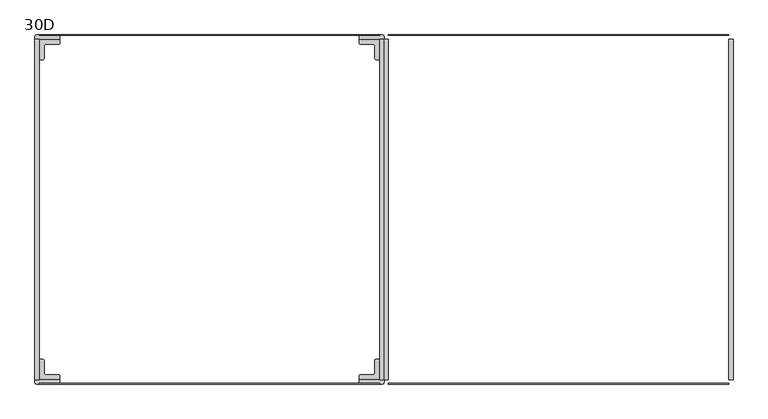
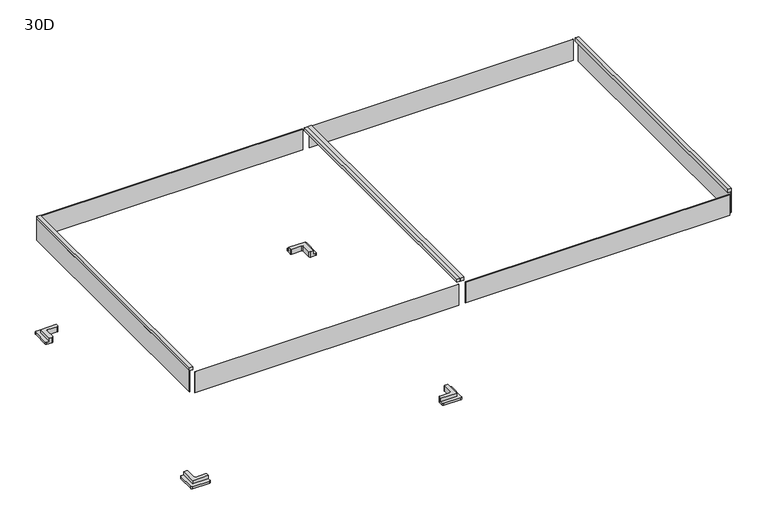
"""IFC4 building model written with IfcOpenShell, lengths in millimetres: furniture geometry, 30D."""

from ifc_helpers import new_model, si_unit, frame, origin, place, context, project, spatial, polyline, circle_curve, outline, extrude, source, transform, mapped, element, save
from ifc_brep_helpers import plane_surface, cylinder_surface, revolved_surface, advanced_brep


def furniture_30d_87d6ec3d(model_context):
    return source(origin(), model_context, "Body", "SolidModel", [
        advanced_brep(
        [(17.0083882, 53.9744671, 15.289646), (9.652, 53.9744671, 15.289646), (9.652, 10.532642, 15.289646), (53.9751938, 10.532642, 15.289646), (53.9751938, 17.8257996, 15.289646), (51.4351938, 20.3657996, 15.289646), (23.6342208, 20.3657996, 15.289646), (20.3103882, 23.6896322, 15.289646), (20.3103882, 50.6724671, 15.289646), (53.9751938, 17.8257996, 0.0), (53.9751938, 2.6561542, 0.0), (51.3190396, 0.0, 0.0), (3.5791729, 0.0, 0.0), (0.0, 3.5791729, 0.0), (0.0, 51.4344671, 0.0), (2.54, 53.9744671, 0.0), (17.0083882, 53.9744671, 0.0), (20.3103882, 50.6724671, 0.0), (20.3103882, 23.6896322, 0.0), (23.6342208, 20.3657996, 0.0), (51.4351938, 20.3657996, 0.0), (53.9751938, 10.532642, 5.7646191), (53.9751938, 2.6561542, 5.7646191), (51.3190396, 0.0, 5.7646191), (3.5791729, 0.0, 5.7646191), (0.0, 3.5791729, 5.7646191), (0.0, 51.4344671, 5.7646191), (2.54, 53.9744671, 5.7646191), (9.652, 53.9744671, 5.7646191), (9.652, 10.532642, 5.7646191)],
        [
            (0, 1),
            (1, 2),
            (2, 3),
            (3, 4),
            (4, 5, circle_curve(frame((51.4351938, 17.8257996, 15.289646), z_axis=(0.0, 0.0, 1.0), x_axis=(1.0, 0.0, 0.0)), 2.54)),
            (5, 6),
            (6, 7, circle_curve(frame((23.6342208, 23.6896322, 15.289646), z_axis=(0.0, 0.0, -1.0), x_axis=(1.0, 0.0, 0.0)), 3.3238326)),
            (7, 8),
            (8, 0, circle_curve(frame((17.0083882, 50.6724671, 15.289646), z_axis=(0.0, 0.0, 1.0), x_axis=(1.0, 0.0, 0.0)), 3.302)),
            (9, 10),
            (10, 11, circle_curve(frame((51.3190396, 2.6561542, 0.0), z_axis=(0.0, 0.0, -1.0), x_axis=(1.0, 0.0, 0.0)), 2.6561542)),
            (11, 12),
            (12, 13, circle_curve(frame((3.5791729, 3.5791729, 0.0), z_axis=(0.0, 0.0, -1.0), x_axis=(1.0, 0.0, 0.0)), 3.5791729)),
            (13, 14),
            (14, 15, circle_curve(frame((2.54, 51.4344671, 0.0), z_axis=(0.0, 0.0, -1.0), x_axis=(1.0, 0.0, 0.0)), 2.54)),
            (15, 16),
            (16, 17, circle_curve(frame((17.0083882, 50.6724671, 0.0), z_axis=(0.0, 0.0, -1.0), x_axis=(1.0, 0.0, 0.0)), 3.302)),
            (17, 18),
            (18, 19, circle_curve(frame((23.6342208, 23.6896322, 0.0), z_axis=(0.0, 0.0, 1.0), x_axis=(1.0, 0.0, 0.0)), 3.3238326)),
            (19, 20),
            (20, 9, circle_curve(frame((51.4351938, 17.8257996, 0.0), z_axis=(0.0, 0.0, -1.0), x_axis=(1.0, 0.0, 0.0)), 2.54)),
            (9, 4),
            (3, 21),
            (21, 22),
            (22, 10),
            (22, 23, circle_curve(frame((51.3190396, 2.6561542, 5.7646191), z_axis=(0.0, 0.0, -1.0), x_axis=(1.0, 0.0, 0.0)), 2.6561542)),
            (23, 11),
            (23, 24),
            (24, 12),
            (24, 25, circle_curve(frame((3.5791729, 3.5791729, 5.7646191), z_axis=(0.0, 0.0, -1.0), x_axis=(1.0, 0.0, 0.0)), 3.5791729)),
            (25, 13),
            (25, 26),
            (26, 14),
            (26, 27, circle_curve(frame((2.54, 51.4344671, 5.7646191), z_axis=(0.0, 0.0, -1.0), x_axis=(1.0, 0.0, 0.0)), 2.54)),
            (27, 15),
            (27, 28),
            (28, 1),
            (0, 16),
            (8, 17),
            (7, 18),
            (6, 19),
            (5, 20),
            (21, 29),
            (29, 28),
            (29, 2),
        ],
        [
            plane_surface(frame((53.9751938, 2.7431465, 15.289646), z_axis=(0.0, 0.0, 1.0), x_axis=(0.0, -1.0, 0.0))),
            plane_surface(frame((53.9751938, 2.7431465, 0.0), z_axis=(0.0, 0.0, -1.0), x_axis=(0.0, 1.0, 0.0))),
            plane_surface(frame((53.9751938, 17.8257996, 15.289646), z_axis=(1.0, 0.0, 0.0), x_axis=(0.0, 0.0, -1.0))),
            cylinder_surface(frame((51.3190396, 2.6561542, 0.0), z_axis=(0.0, 0.0, 1.0), x_axis=(1.0, 0.0, 0.0)), 2.6561542),
            plane_surface(frame((51.3190396, 0.0, 15.289646), z_axis=(0.0, -1.0, 0.0), x_axis=(0.0, 0.0, -1.0))),
            cylinder_surface(frame((3.5791729, 3.5791729, 0.0), z_axis=(0.0, 0.0, 1.0), x_axis=(1.0, 0.0, 0.0)), 3.5791729),
            plane_surface(frame((0.0, 3.5791729, 15.289646), z_axis=(-1.0, 0.0, 0.0), x_axis=(0.0, 0.0, -1.0))),
            cylinder_surface(frame((2.54, 51.4344671, 0.0), z_axis=(0.0, 0.0, 1.0), x_axis=(1.0, 0.0, 0.0)), 2.54),
            plane_surface(frame((2.54, 53.9744671, 15.289646), z_axis=(0.0, 1.0, 0.0), x_axis=(0.0, 0.0, -1.0))),
            cylinder_surface(frame((17.0083882, 50.6724671, 0.0), z_axis=(0.0, 0.0, 1.0), x_axis=(1.0, 0.0, 0.0)), 3.302),
            plane_surface(frame((20.3103882, 50.6724671, 15.289646), z_axis=(1.0, 0.0, 0.0), x_axis=(0.0, 0.0, -1.0))),
            revolved_surface(polyline([(26.9580534, 23.6896322, 0.0), (26.9580534, 23.6896322, 15.289646)]), (23.6342208, 23.6896322, 0.0), (0.0, 0.0, -1.0)),
            plane_surface(frame((23.6342208, 20.3657996, 15.289646), z_axis=(0.0, 1.0, 0.0), x_axis=(0.0, 0.0, -1.0))),
            cylinder_surface(frame((51.4351938, 17.8257996, 0.0), z_axis=(0.0, 0.0, 1.0), x_axis=(1.0, 0.0, 0.0)), 2.54),
            plane_surface(frame((2.54, 708.0259689, 5.7646191), z_axis=(0.0, 0.0, 1.0), x_axis=(1.0, 0.0, 0.0))),
            plane_surface(frame((9.652, 53.9744671, 126.7257456), z_axis=(-1.0, 0.0, 0.0), x_axis=(0.0, 0.0, -1.0))),
            plane_surface(frame((9.652, 10.532642, 126.7257456), z_axis=(0.0, -1.0, 0.0), x_axis=(0.0, 0.0, -1.0))),
        ],
        [
            (0, [[1, 2, 3, 4, 5, 6, 7, 8, 9]]),
            (1, [[10, 11, 12, 13, 14, 15, 16, 17, 18, 19, 20, 21]]),
            (2, [[22, -4, 23, 24, 25, -10]]),
            (3, [[-25, 26, 27, -11]]),
            (4, [[-27, 28, 29, -12]]),
            (5, [[-29, 30, 31, -13]]),
            (6, [[-31, 32, 33, -14]]),
            (7, [[-33, 34, 35, -15]]),
            (8, [[-35, 36, 37, -1, 38, -16]]),
            (9, [[39, -17, -38, -9]]),
            (10, [[40, -18, -39, -8]]),
            (11, [[41, -19, -40, -7]]),
            (12, [[42, -20, -41, -6]]),
            (13, [[-22, -21, -42, -5]]),
            (14, [[-36, -34, -32, -30, -28, -26, -24, 43, 44]]),
            (15, [[45, -2, -37, -44]]),
            (16, [[-23, -3, -45, -43]]),
        ],
    ),
        advanced_brep(
        [(708.0248062, 17.8257996, 15.289646), (708.0248062, 10.532642, 15.289646), (752.348, 10.532642, 15.289646), (752.348, 53.9744671, 15.289646), (744.9916118, 53.9744671, 15.289646), (741.6896118, 50.6724671, 15.289646), (741.6896118, 23.6896322, 15.289646), (738.3657792, 20.3657996, 15.289646), (710.5648062, 20.3657996, 15.289646), (708.0248062, 17.8257996, 0.0), (710.5648062, 20.3657996, 0.0), (738.3657792, 20.3657996, 0.0), (741.6896118, 23.6896322, 0.0), (741.6896118, 50.6724671, 0.0), (744.9916118, 53.9744671, 0.0), (759.46, 53.9744671, 0.0), (762.0, 51.4344671, 0.0), (762.0, 3.5791729, 0.0), (758.4208271, 0.0, 0.0), (710.6809604, 0.0, 0.0), (708.0248062, 2.6561542, 0.0), (752.348, 53.9744671, 5.7646191), (759.46, 53.9744671, 5.7646191), (762.0, 51.4344671, 5.7646191), (762.0, 3.5791729, 5.7646191), (758.4208271, 0.0, 5.7646191), (710.6809604, 0.0, 5.7646191), (708.0248062, 2.6561542, 5.7646191), (708.0248062, 10.532642, 5.7646191), (752.348, 10.532642, 5.7646191)],
        [
            (0, 1),
            (1, 2),
            (2, 3),
            (3, 4),
            (4, 5, circle_curve(frame((744.9916118, 50.6724671, 15.289646), z_axis=(0.0, 0.0, 1.0), x_axis=(1.0, 0.0, 0.0)), 3.302)),
            (5, 6),
            (6, 7, circle_curve(frame((738.3657792, 23.6896322, 15.289646), z_axis=(0.0, 0.0, -1.0), x_axis=(1.0, 0.0, 0.0)), 3.3238326)),
            (7, 8),
            (8, 0, circle_curve(frame((710.5648062, 17.8257996, 15.289646), z_axis=(0.0, 0.0, 1.0), x_axis=(1.0, 0.0, 0.0)), 2.54)),
            (9, 10, circle_curve(frame((710.5648062, 17.8257996, 0.0), z_axis=(0.0, 0.0, -1.0), x_axis=(1.0, 0.0, 0.0)), 2.54)),
            (10, 11),
            (11, 12, circle_curve(frame((738.3657792, 23.6896322, 0.0), z_axis=(0.0, 0.0, 1.0), x_axis=(1.0, 0.0, 0.0)), 3.3238326)),
            (12, 13),
            (13, 14, circle_curve(frame((744.9916118, 50.6724671, 0.0), z_axis=(0.0, 0.0, -1.0), x_axis=(1.0, 0.0, 0.0)), 3.302)),
            (14, 15),
            (15, 16, circle_curve(frame((759.46, 51.4344671, 0.0), z_axis=(0.0, 0.0, -1.0), x_axis=(1.0, 0.0, 0.0)), 2.54)),
            (16, 17),
            (17, 18, circle_curve(frame((758.4208271, 3.5791729, 0.0), z_axis=(0.0, 0.0, -1.0), x_axis=(1.0, 0.0, 0.0)), 3.5791729)),
            (18, 19),
            (19, 20, circle_curve(frame((710.6809604, 2.6561542, 0.0), z_axis=(0.0, 0.0, -1.0), x_axis=(1.0, 0.0, 0.0)), 2.6561542)),
            (20, 9),
            (8, 10),
            (9, 0),
            (7, 11),
            (6, 12),
            (5, 13),
            (4, 14),
            (3, 21),
            (21, 22),
            (22, 15),
            (22, 23, circle_curve(frame((759.46, 51.4344671, 5.7646191), z_axis=(0.0, 0.0, -1.0), x_axis=(1.0, 0.0, 0.0)), 2.54)),
            (23, 16),
            (23, 24),
            (24, 17),
            (24, 25, circle_curve(frame((758.4208271, 3.5791729, 5.7646191), z_axis=(0.0, 0.0, -1.0), x_axis=(1.0, 0.0, 0.0)), 3.5791729)),
            (25, 18),
            (25, 26),
            (26, 19),
            (26, 27, circle_curve(frame((710.6809604, 2.6561542, 5.7646191), z_axis=(0.0, 0.0, -1.0), x_axis=(1.0, 0.0, 0.0)), 2.6561542)),
            (27, 20),
            (27, 28),
            (28, 1),
            (21, 29),
            (29, 28),
            (29, 2),
        ],
        [
            plane_surface(frame((53.9751938, 2.7431465, 15.289646), z_axis=(0.0, 0.0, 1.0), x_axis=(0.0, -1.0, 0.0))),
            plane_surface(frame((53.9751938, 2.7431465, 0.0), z_axis=(0.0, 0.0, -1.0), x_axis=(0.0, 1.0, 0.0))),
            cylinder_surface(frame((710.5648062, 17.8257996, 0.0), z_axis=(0.0, 0.0, 1.0), x_axis=(1.0, 0.0, 0.0)), 2.54),
            plane_surface(frame((710.5648062, 20.3657996, 15.289646), z_axis=(0.0, 1.0, 0.0), x_axis=(0.0, 0.0, -1.0))),
            revolved_surface(polyline([(741.6896118, 23.6896322, 0.0), (741.6896118, 23.6896322, 15.289646)]), (738.3657792, 23.6896322, 0.0), (0.0, 0.0, -1.0)),
            plane_surface(frame((741.6896118, 23.6896322, 15.289646), z_axis=(-1.0, 0.0, 0.0), x_axis=(0.0, 0.0, -1.0))),
            cylinder_surface(frame((744.9916118, 50.6724671, 0.0), z_axis=(0.0, 0.0, 1.0), x_axis=(1.0, 0.0, 0.0)), 3.302),
            plane_surface(frame((744.9916118, 53.9744671, 15.289646), z_axis=(0.0, 1.0, 0.0), x_axis=(0.0, 0.0, -1.0))),
            cylinder_surface(frame((759.46, 51.4344671, 0.0), z_axis=(0.0, 0.0, 1.0), x_axis=(1.0, 0.0, 0.0)), 2.54),
            plane_surface(frame((762.0, 51.4344671, 15.289646), z_axis=(1.0, 0.0, 0.0), x_axis=(0.0, 0.0, -1.0))),
            cylinder_surface(frame((758.4208271, 3.5791729, 0.0), z_axis=(0.0, 0.0, 1.0), x_axis=(1.0, 0.0, 0.0)), 3.5791729),
            plane_surface(frame((758.4208271, 0.0, 15.289646), z_axis=(0.0, -1.0, 0.0), x_axis=(0.0, 0.0, -1.0))),
            cylinder_surface(frame((710.6809604, 2.6561542, 0.0), z_axis=(0.0, 0.0, 1.0), x_axis=(1.0, 0.0, 0.0)), 2.6561542),
            plane_surface(frame((708.0248062, 2.6561542, 15.289646), z_axis=(-1.0, 0.0, 0.0), x_axis=(0.0, 0.0, -1.0))),
            plane_surface(frame((2.54, 708.0259689, 5.7646191), z_axis=(0.0, 0.0, 1.0), x_axis=(1.0, 0.0, 0.0))),
            plane_surface(frame((708.0248062, 10.532642, 126.7257456), z_axis=(0.0, -1.0, 0.0), x_axis=(0.0, 0.0, -1.0))),
            plane_surface(frame((752.348, 10.532642, 126.7257456), z_axis=(1.0, 0.0, 0.0), x_axis=(0.0, 0.0, -1.0))),
        ],
        [
            (0, [[1, 2, 3, 4, 5, 6, 7, 8, 9]]),
            (1, [[10, 11, 12, 13, 14, 15, 16, 17, 18, 19, 20, 21]]),
            (2, [[22, -10, 23, -9]]),
            (3, [[24, -11, -22, -8]]),
            (4, [[25, -12, -24, -7]]),
            (5, [[26, -13, -25, -6]]),
            (6, [[27, -14, -26, -5]]),
            (7, [[-27, -4, 28, 29, 30, -15]]),
            (8, [[-30, 31, 32, -16]]),
            (9, [[-32, 33, 34, -17]]),
            (10, [[-34, 35, 36, -18]]),
            (11, [[-36, 37, 38, -19]]),
            (12, [[-38, 39, 40, -20]]),
            (13, [[-40, 41, 42, -1, -23, -21]]),
            (14, [[-41, -39, -37, -35, -33, -31, -29, 43, 44]]),
            (15, [[45, -2, -42, -44]]),
            (16, [[-28, -3, -45, -43]]),
        ],
    ),
        advanced_brep(
        [(53.9751938, 744.2307745, 15.289646), (53.9751938, 751.467794, 15.289646), (9.652, 751.467794, 15.289646), (9.652, 708.0259689, 15.289646), (17.0083882, 708.0259689, 15.289646), (20.3103882, 711.3279689, 15.289646), (20.3103882, 738.3669419, 15.289646), (23.6342208, 741.6907745, 15.289646), (51.4351938, 741.6907745, 15.289646), (53.9751938, 744.2307745, 0.0), (51.4351938, 741.6907745, 0.0), (23.6342208, 741.6907745, 0.0), (20.3103882, 738.3669419, 0.0), (20.3103882, 711.3279689, 0.0), (17.0083882, 708.0259689, 0.0), (2.54, 708.0259689, 0.0), (0.0, 710.5659689, 0.0), (0.0, 758.4208271, 0.0), (3.5791729, 762.0, 0.0), (51.3190396, 762.0, 0.0), (53.9751938, 759.3438458, 0.0), (9.652, 708.0259689, 5.7646191), (2.54, 708.0259689, 5.7646191), (0.0, 710.5659689, 5.7646191), (0.0, 758.4208271, 5.7646191), (3.5791729, 762.0, 5.7646191), (51.3190396, 762.0, 5.7646191), (53.9751938, 759.3438458, 5.7646191), (53.9751938, 751.467794, 5.7646191), (9.652, 751.467794, 5.7646191)],
        [
            (0, 1),
            (1, 2),
            (2, 3),
            (3, 4),
            (4, 5, circle_curve(frame((17.0083882, 711.3279689, 15.289646), z_axis=(0.0, 0.0, 1.0), x_axis=(1.0, 0.0, 0.0)), 3.302)),
            (5, 6),
            (6, 7, circle_curve(frame((23.6342208, 738.3669419, 15.289646), z_axis=(0.0, 0.0, -1.0), x_axis=(1.0, 0.0, 0.0)), 3.3238326)),
            (7, 8),
            (8, 0, circle_curve(frame((51.4351938, 744.2307745, 15.289646), z_axis=(0.0, 0.0, 1.0), x_axis=(1.0, 0.0, 0.0)), 2.54)),
            (9, 10, circle_curve(frame((51.4351938, 744.2307745, 0.0), z_axis=(0.0, 0.0, -1.0), x_axis=(1.0, 0.0, 0.0)), 2.54)),
            (10, 11),
            (11, 12, circle_curve(frame((23.6342208, 738.3669419, 0.0), z_axis=(0.0, 0.0, 1.0), x_axis=(1.0, 0.0, 0.0)), 3.3238326)),
            (12, 13),
            (13, 14, circle_curve(frame((17.0083882, 711.3279689, 0.0), z_axis=(0.0, 0.0, -1.0), x_axis=(1.0, 0.0, 0.0)), 3.302)),
            (14, 15),
            (15, 16, circle_curve(frame((2.54, 710.5659689, 0.0), z_axis=(0.0, 0.0, -1.0), x_axis=(1.0, 0.0, 0.0)), 2.54)),
            (16, 17),
            (17, 18, circle_curve(frame((3.5791729, 758.4208271, 0.0), z_axis=(0.0, 0.0, -1.0), x_axis=(1.0, 0.0, 0.0)), 3.5791729)),
            (18, 19),
            (19, 20, circle_curve(frame((51.3190396, 759.3438458, 0.0), z_axis=(0.0, 0.0, -1.0), x_axis=(1.0, 0.0, 0.0)), 2.6561542)),
            (20, 9),
            (8, 10),
            (9, 0),
            (7, 11),
            (6, 12),
            (5, 13),
            (4, 14),
            (3, 21),
            (21, 22),
            (22, 15),
            (22, 23, circle_curve(frame((2.54, 710.5659689, 5.7646191), z_axis=(0.0, 0.0, -1.0), x_axis=(1.0, 0.0, 0.0)), 2.54)),
            (23, 16),
            (23, 24),
            (24, 17),
            (24, 25, circle_curve(frame((3.5791729, 758.4208271, 5.7646191), z_axis=(0.0, 0.0, -1.0), x_axis=(1.0, 0.0, 0.0)), 3.5791729)),
            (25, 18),
            (25, 26),
            (26, 19),
            (26, 27, circle_curve(frame((51.3190396, 759.3438458, 5.7646191), z_axis=(0.0, 0.0, -1.0), x_axis=(1.0, 0.0, 0.0)), 2.6561542)),
            (27, 20),
            (27, 28),
            (28, 1),
            (21, 29),
            (29, 28),
            (29, 2),
        ],
        [
            plane_surface(frame((53.9751938, 2.7431465, 15.289646), z_axis=(0.0, 0.0, 1.0), x_axis=(0.0, -1.0, 0.0))),
            plane_surface(frame((53.9751938, 2.7431465, 0.0), z_axis=(0.0, 0.0, -1.0), x_axis=(0.0, 1.0, 0.0))),
            cylinder_surface(frame((51.4351938, 744.2307745, 0.0), z_axis=(0.0, 0.0, 1.0), x_axis=(1.0, 0.0, 0.0)), 2.54),
            plane_surface(frame((51.4351938, 741.6907745, 15.289646), z_axis=(0.0, -1.0, 0.0), x_axis=(0.0, 0.0, -1.0))),
            revolved_surface(polyline([(26.9580534, 738.3669419, 0.0), (26.9580534, 738.3669419, 15.289646)]), (23.6342208, 738.3669419, 0.0), (0.0, 0.0, -1.0)),
            plane_surface(frame((20.3103882, 738.3669419, 15.289646), z_axis=(1.0, 0.0, 0.0), x_axis=(0.0, 0.0, -1.0))),
            cylinder_surface(frame((17.0083882, 711.3279689, 0.0), z_axis=(0.0, 0.0, 1.0), x_axis=(1.0, 0.0, 0.0)), 3.302),
            plane_surface(frame((17.0083882, 708.0259689, 15.289646), z_axis=(0.0, -1.0, 0.0), x_axis=(0.0, 0.0, -1.0))),
            cylinder_surface(frame((2.54, 710.5659689, 0.0), z_axis=(0.0, 0.0, 1.0), x_axis=(1.0, 0.0, 0.0)), 2.54),
            plane_surface(frame((0.0, 710.5659689, 15.289646), z_axis=(-1.0, 0.0, 0.0), x_axis=(0.0, 0.0, -1.0))),
            cylinder_surface(frame((3.5791729, 758.4208271, 0.0), z_axis=(0.0, 0.0, 1.0), x_axis=(1.0, 0.0, 0.0)), 3.5791729),
            plane_surface(frame((3.5791729, 762.0, 15.289646), z_axis=(0.0, 1.0, 0.0), x_axis=(0.0, 0.0, -1.0))),
            cylinder_surface(frame((51.3190396, 759.3438458, 0.0), z_axis=(0.0, 0.0, 1.0), x_axis=(1.0, 0.0, 0.0)), 2.6561542),
            plane_surface(frame((53.9751938, 759.3438458, 15.289646), z_axis=(1.0, 0.0, 0.0), x_axis=(0.0, 0.0, -1.0))),
            plane_surface(frame((2.54, 708.0259689, 5.7646191), z_axis=(0.0, 0.0, 1.0), x_axis=(1.0, 0.0, 0.0))),
            plane_surface(frame((53.9751938, 751.467794, 126.7257456), z_axis=(0.0, 1.0, 0.0), x_axis=(0.0, 0.0, -1.0))),
            plane_surface(frame((9.652, 751.467794, 126.7257456), z_axis=(-1.0, 0.0, 0.0), x_axis=(0.0, 0.0, -1.0))),
        ],
        [
            (0, [[1, 2, 3, 4, 5, 6, 7, 8, 9]]),
            (1, [[10, 11, 12, 13, 14, 15, 16, 17, 18, 19, 20, 21]]),
            (2, [[22, -10, 23, -9]]),
            (3, [[24, -11, -22, -8]]),
            (4, [[25, -12, -24, -7]]),
            (5, [[26, -13, -25, -6]]),
            (6, [[27, -14, -26, -5]]),
            (7, [[-27, -4, 28, 29, 30, -15]]),
            (8, [[-30, 31, 32, -16]]),
            (9, [[-32, 33, 34, -17]]),
            (10, [[-34, 35, 36, -18]]),
            (11, [[-36, 37, 38, -19]]),
            (12, [[-38, 39, 40, -20]]),
            (13, [[-40, 41, 42, -1, -23, -21]]),
            (14, [[-41, -39, -37, -35, -33, -31, -29, 43, 44]]),
            (15, [[45, -2, -42, -44]]),
            (16, [[-28, -3, -45, -43]]),
        ],
    ),
        advanced_brep(
        [(744.9916118, 708.0259689, 15.289646), (752.348, 708.0259689, 15.289646), (752.348, 751.467794, 15.289646), (708.0248062, 751.467794, 15.289646), (708.0248062, 744.2307745, 15.289646), (710.5648062, 741.6907745, 15.289646), (738.3657792, 741.6907745, 15.289646), (741.6896118, 738.3669419, 15.289646), (741.6896118, 711.3279689, 15.289646), (708.0248062, 744.2307745, 0.0), (708.0248062, 759.3438458, 0.0), (710.6809604, 762.0, 0.0), (758.4208271, 762.0, 0.0), (762.0, 758.4208271, 0.0), (762.0, 710.5659689, 0.0), (759.46, 708.0259689, 0.0), (744.9916118, 708.0259689, 0.0), (741.6896118, 711.3279689, 0.0), (741.6896118, 738.3669419, 0.0), (738.3657792, 741.6907745, 0.0), (710.5648062, 741.6907745, 0.0), (708.0248062, 751.467794, 5.7646191), (708.0248062, 759.3438458, 5.7646191), (710.6809604, 762.0, 5.7646191), (758.4208271, 762.0, 5.7646191), (762.0, 758.4208271, 5.7646191), (762.0, 710.5659689, 5.7646191), (759.46, 708.0259689, 5.7646191), (752.348, 708.0259689, 5.7646191), (752.348, 751.467794, 5.7646191)],
        [
            (0, 1),
            (1, 2),
            (2, 3),
            (3, 4),
            (4, 5, circle_curve(frame((710.5648062, 744.2307745, 15.289646), z_axis=(0.0, 0.0, 1.0), x_axis=(1.0, 0.0, 0.0)), 2.54)),
            (5, 6),
            (6, 7, circle_curve(frame((738.3657792, 738.3669419, 15.289646), z_axis=(0.0, 0.0, -1.0), x_axis=(1.0, 0.0, 0.0)), 3.3238326)),
            (7, 8),
            (8, 0, circle_curve(frame((744.9916118, 711.3279689, 15.289646), z_axis=(0.0, 0.0, 1.0), x_axis=(1.0, 0.0, 0.0)), 3.302)),
            (9, 10),
            (10, 11, circle_curve(frame((710.6809604, 759.3438458, 0.0), z_axis=(0.0, 0.0, -1.0), x_axis=(1.0, 0.0, 0.0)), 2.6561542)),
            (11, 12),
            (12, 13, circle_curve(frame((758.4208271, 758.4208271, 0.0), z_axis=(0.0, 0.0, -1.0), x_axis=(1.0, 0.0, 0.0)), 3.5791729)),
            (13, 14),
            (14, 15, circle_curve(frame((759.46, 710.5659689, 0.0), z_axis=(0.0, 0.0, -1.0), x_axis=(1.0, 0.0, 0.0)), 2.54)),
            (15, 16),
            (16, 17, circle_curve(frame((744.9916118, 711.3279689, 0.0), z_axis=(0.0, 0.0, -1.0), x_axis=(1.0, 0.0, 0.0)), 3.302)),
            (17, 18),
            (18, 19, circle_curve(frame((738.3657792, 738.3669419, 0.0), z_axis=(0.0, 0.0, 1.0), x_axis=(1.0, 0.0, 0.0)), 3.3238326)),
            (19, 20),
            (20, 9, circle_curve(frame((710.5648062, 744.2307745, 0.0), z_axis=(0.0, 0.0, -1.0), x_axis=(1.0, 0.0, 0.0)), 2.54)),
            (9, 4),
            (3, 21),
            (21, 22),
            (22, 10),
            (22, 23, circle_curve(frame((710.6809604, 759.3438458, 5.7646191), z_axis=(0.0, 0.0, -1.0), x_axis=(1.0, 0.0, 0.0)), 2.6561542)),
            (23, 11),
            (23, 24),
            (24, 12),
            (24, 25, circle_curve(frame((758.4208271, 758.4208271, 5.7646191), z_axis=(0.0, 0.0, -1.0), x_axis=(1.0, 0.0, 0.0)), 3.5791729)),
            (25, 13),
            (25, 26),
            (26, 14),
            (26, 27, circle_curve(frame((759.46, 710.5659689, 5.7646191), z_axis=(0.0, 0.0, -1.0), x_axis=(1.0, 0.0, 0.0)), 2.54)),
            (27, 15),
            (27, 28),
            (28, 1),
            (0, 16),
            (8, 17),
            (7, 18),
            (6, 19),
            (5, 20),
            (21, 29),
            (29, 28),
            (29, 2),
        ],
        [
            plane_surface(frame((53.9751938, 2.7431465, 15.289646), z_axis=(0.0, 0.0, 1.0), x_axis=(0.0, -1.0, 0.0))),
            plane_surface(frame((53.9751938, 2.7431465, 0.0), z_axis=(0.0, 0.0, -1.0), x_axis=(0.0, 1.0, 0.0))),
            plane_surface(frame((708.0248062, 744.2307745, 15.289646), z_axis=(-1.0, 0.0, 0.0), x_axis=(0.0, 0.0, -1.0))),
            cylinder_surface(frame((710.6809604, 759.3438458, 0.0), z_axis=(0.0, 0.0, 1.0), x_axis=(1.0, 0.0, 0.0)), 2.6561542),
            plane_surface(frame((710.6809604, 762.0, 15.289646), z_axis=(0.0, 1.0, 0.0), x_axis=(0.0, 0.0, -1.0))),
            cylinder_surface(frame((758.4208271, 758.4208271, 0.0), z_axis=(0.0, 0.0, 1.0), x_axis=(1.0, 0.0, 0.0)), 3.5791729),
            plane_surface(frame((762.0, 758.4208271, 15.289646), z_axis=(1.0, 0.0, 0.0), x_axis=(0.0, 0.0, -1.0))),
            cylinder_surface(frame((759.46, 710.5659689, 0.0), z_axis=(0.0, 0.0, 1.0), x_axis=(1.0, 0.0, 0.0)), 2.54),
            plane_surface(frame((759.46, 708.0259689, 15.289646), z_axis=(0.0, -1.0, 0.0), x_axis=(0.0, 0.0, -1.0))),
            cylinder_surface(frame((744.9916118, 711.3279689, 0.0), z_axis=(0.0, 0.0, 1.0), x_axis=(1.0, 0.0, 0.0)), 3.302),
            plane_surface(frame((741.6896118, 711.3279689, 15.289646), z_axis=(-1.0, 0.0, 0.0), x_axis=(0.0, 0.0, -1.0))),
            revolved_surface(polyline([(741.6896118, 738.3669419, 0.0), (741.6896118, 738.3669419, 15.289646)]), (738.3657792, 738.3669419, 0.0), (0.0, 0.0, -1.0)),
            plane_surface(frame((738.3657792, 741.6907745, 15.289646), z_axis=(0.0, -1.0, 0.0), x_axis=(0.0, 0.0, -1.0))),
            cylinder_surface(frame((710.5648062, 744.2307745, 0.0), z_axis=(0.0, 0.0, 1.0), x_axis=(1.0, 0.0, 0.0)), 2.54),
            plane_surface(frame((2.54, 708.0259689, 5.7646191), z_axis=(0.0, 0.0, 1.0), x_axis=(1.0, 0.0, 0.0))),
            plane_surface(frame((752.348, 708.0259689, 126.7257456), z_axis=(1.0, 0.0, 0.0), x_axis=(0.0, 0.0, -1.0))),
            plane_surface(frame((752.348, 751.467794, 126.7257456), z_axis=(0.0, 1.0, 0.0), x_axis=(0.0, 0.0, -1.0))),
        ],
        [
            (0, [[1, 2, 3, 4, 5, 6, 7, 8, 9]]),
            (1, [[10, 11, 12, 13, 14, 15, 16, 17, 18, 19, 20, 21]]),
            (2, [[22, -4, 23, 24, 25, -10]]),
            (3, [[-25, 26, 27, -11]]),
            (4, [[-27, 28, 29, -12]]),
            (5, [[-29, 30, 31, -13]]),
            (6, [[-31, 32, 33, -14]]),
            (7, [[-33, 34, 35, -15]]),
            (8, [[-35, 36, 37, -1, 38, -16]]),
            (9, [[39, -17, -38, -9]]),
            (10, [[40, -18, -39, -8]]),
            (11, [[41, -19, -40, -7]]),
            (12, [[42, -20, -41, -6]]),
            (13, [[-22, -21, -42, -5]]),
            (14, [[-36, -34, -32, -30, -28, -26, -24, 43, 44]]),
            (15, [[45, -2, -37, -44]]),
            (16, [[-23, -3, -45, -43]]),
        ],
    ),
        extrude(outline(polyline([(0.0, 1.1443342), (742.696, 1.1443342), (742.696, 0.0), (0.0, 0.0), (0.0, 1.1443342)])), frame((771.651997, 0.0, 283.5282449), z_axis=(-2.8696443598027606e-07, 0.0, 0.9999999999999588), x_axis=(0.9999999999999588, 0.0, 2.8696443598027606e-07)), (0.0, 0.0, 1.0), 61.961393),
        extrude(outline(polyline([(1524.0, 752.4678783), (1524.0, 9.525218), (1522.8553024, 9.525218), (1522.8553024, 752.4678783), (1524.0, 752.4678783)])), frame((0.0, 0.0, 283.5282424), z_axis=(0.0, 0.0, 1.0), x_axis=(1.0, 0.0, 0.0)), (0.0, 0.0, 1.0), 61.9616085),
        extrude(outline(polyline([(771.652, 762.0), (1514.348, 762.0), (1514.348, 760.857802), (771.652, 760.857802), (771.652, 762.0)])), frame((0.0, 0.0, 283.5283514), z_axis=(0.0, 0.0, 1.0), x_axis=(1.0, 0.0, 0.0)), (0.0, 0.0, 1.0), 61.9613161),
        extrude(outline(polyline([(1514.348, 9.525218), (1514.348, 752.4678783), (1524.0, 752.4678783), (1524.0, 9.525218), (1514.348, 9.525218)])), frame((0.0, 0.0, 345.4896675), z_axis=(0.0, 0.0, 1.0), x_axis=(1.0, 0.0, 0.0)), (0.0, 0.0, 1.0), 9.5249637),
        extrude(outline(polyline([(771.652, 752.4678783), (771.652, 9.525218), (762.0, 9.525218), (762.0, 752.4678783), (771.652, 752.4678783)])), frame((0.0, 0.0, 345.4896675), z_axis=(0.0, 0.0, 1.0), x_axis=(1.0, 0.0, 0.0)), (0.0, 0.0, 1.0), 9.5249637),
        extrude(outline(polyline([(752.348, 760.9834923), (9.652, 760.9834923), (9.652, 762.0), (752.348, 762.0), (752.348, 760.9834923)])), frame((0.0, 0.0, 283.5283514), z_axis=(0.0, 0.0, 1.0), x_axis=(1.0, 0.0, 0.0)), (0.0, 0.0, 1.0), 61.9613161),
        extrude(outline(polyline([(1.1446976, 752.4678783), (1.1446976, 9.525218), (0.0, 9.525218), (0.0, 752.4678783), (1.1446976, 752.4678783)])), frame((0.0, 0.0, 283.5282424), z_axis=(0.0, 0.0, 1.0), x_axis=(1.0, 0.0, 0.0)), (0.0, 0.0, 1.0), 61.9616085),
        extrude(outline(polyline([(0.0, 1.1443342), (742.696, 1.1443342), (742.696, 0.0), (0.0, 0.0), (0.0, 1.1443342)])), frame((752.3480814, 1.1443342, 283.5282449), z_axis=(2.8696446363715567e-07, 0.0, 0.9999999999999588), x_axis=(-0.9999999999999588, 0.0, 2.8696446363715567e-07)), (0.0, 0.0, 1.0), 61.961393),
        extrude(outline(polyline([(9.652, 9.525218), (0.0, 9.525218), (0.0, 752.4678783), (9.652, 752.4678783), (9.652, 9.525218)])), frame((0.0, 0.0, 345.4896675), z_axis=(0.0, 0.0, 1.0), x_axis=(1.0, 0.0, 0.0)), (0.0, 0.0, 1.0), 9.5249637),
        extrude(outline(polyline([(752.348, 752.4678783), (762.0, 752.4678783), (762.0, 9.525218), (752.348, 9.525218), (752.348, 752.4678783)])), frame((0.0, 0.0, 345.4896675), z_axis=(0.0, 0.0, 1.0), x_axis=(1.0, 0.0, 0.0)), (0.0, 0.0, 1.0), 9.5249637),
    ])


if __name__ == "__main__":
    model = new_model("IFC4")
    model_context = context("Model", 3, world=origin())
    ifc_project = project(units=[si_unit("LENGTHUNIT", "METRE", prefix="MILLI")], contexts=[model_context])
    site = spatial("IfcSite", under=ifc_project)
    building = spatial("IfcBuilding", under=site)
    placement = place(None, origin())
    furniture_30d_shape = furniture_30d_87d6ec3d(model_context)
    element("IfcFurniture", 1, ObjectType="30D", at=placement, inside=building, context=model_context, shape_type="MappedRepresentation", body=[
        mapped(furniture_30d_shape, transform((0.0, 0.0, 0.0), x_axis=(1.0, 0.0, 0.0), y_axis=(0.0, 1.0, 0.0), z_axis=(0.0, 0.0, 1.0))),
    ])
    save(model, "model.ifc")
